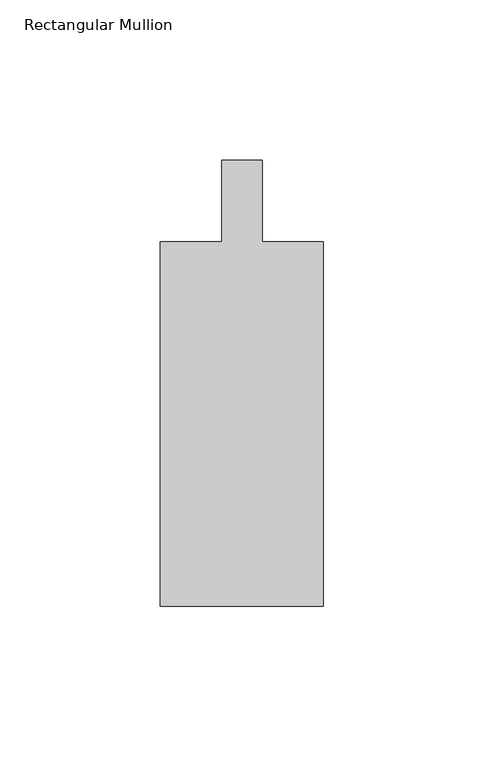
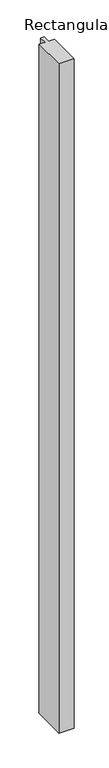
"""IFC4 building model written with IfcOpenShell, lengths in millimetres: member geometry, Rectangular Mullion."""

from ifc_helpers import new_model, si_unit, frame, origin, place, context, project, spatial, polyline, outline, extrude, source, transform, mapped, element, save


def rectangular_mullion_7199495d(model_context):
    return source(origin(), model_context, "Body", "SweptSolid", [
        extrude(outline(polyline([(-25.4, -138.90625), (-25.4, -25.4), (-6.35, -25.4), (-6.35, 0.0), (6.35, 0.0), (6.35, -25.4), (25.4, -25.4), (25.4, -138.90625), (-25.4, -138.90625)])), frame((0.0, 0.0, -2349.5), z_axis=(0.0, 0.0, 1.0), x_axis=(1.0, 0.0, 0.0)), (0.0, 0.0, 1.0), 2349.5),
    ])


if __name__ == "__main__":
    model = new_model("IFC4")
    model_context = context("Model", 3, world=origin())
    ifc_project = project(units=[si_unit("LENGTHUNIT", "METRE", prefix="MILLI")], contexts=[model_context])
    site = spatial("IfcSite", under=ifc_project)
    building = spatial("IfcBuilding", under=site)
    placement = place(None, origin())
    rectangular_mullion_shape = rectangular_mullion_7199495d(model_context)
    element("IfcMember", 1, ObjectType="Rectangular Mullion", at=placement, inside=building, context=model_context, shape_type="MappedRepresentation", body=[
        mapped(rectangular_mullion_shape, transform((0.0, 0.0, 0.0), x_axis=(1.0, 0.0, 0.0), y_axis=(0.0, 1.0, 0.0), z_axis=(0.0, 0.0, 1.0))),
    ])
    save(model, "model.ifc")
